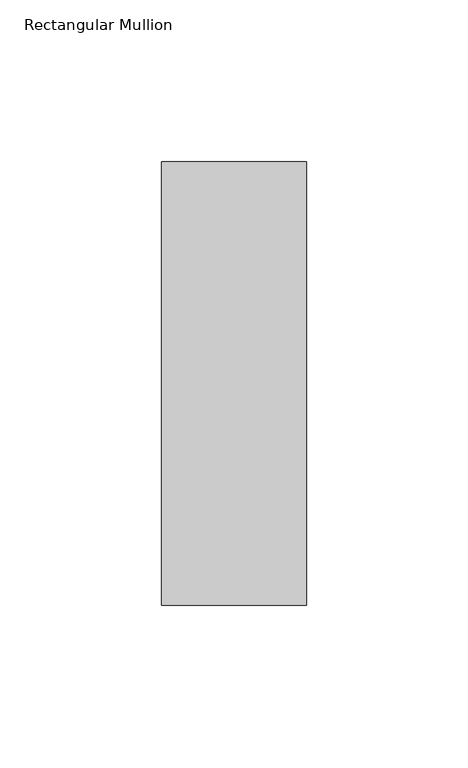
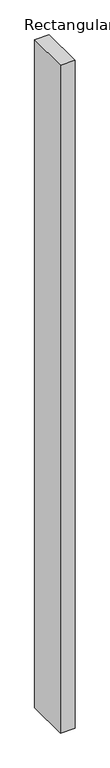
"""IFC4 building model written with IfcOpenShell, lengths in millimetres: member geometry, Rectangular Mullion."""

from ifc_helpers import new_model, si_unit, frame, origin, place, context, project, spatial, polyline, outline, extrude, source, transform, mapped, element, save


def rectangular_mullion_eb94dec2(model_context):
    return source(origin(), model_context, "Body", "SweptSolid", [
        extrude(outline(polyline([(-45.0, 84.19375), (0.0, 84.19375), (0.0, -53.19375), (-45.0, -53.19375), (-45.0, 84.19375)])), frame((0.0, 0.0, -2178.5642788), z_axis=(0.0, 0.0, 1.0), x_axis=(1.0, 0.0, 0.0)), (0.0, 0.0, 1.0), 2178.5642788),
    ])


if __name__ == "__main__":
    model = new_model("IFC4")
    model_context = context("Model", 3, world=origin())
    ifc_project = project(units=[si_unit("LENGTHUNIT", "METRE", prefix="MILLI")], contexts=[model_context])
    site = spatial("IfcSite", under=ifc_project)
    building = spatial("IfcBuilding", under=site)
    placement = place(None, origin())
    rectangular_mullion_shape = rectangular_mullion_eb94dec2(model_context)
    element("IfcMember", 1, ObjectType="Rectangular Mullion", at=placement, inside=building, context=model_context, shape_type="MappedRepresentation", body=[
        mapped(rectangular_mullion_shape, transform((0.0, 0.0, 0.0), x_axis=(1.0, 0.0, 0.0), y_axis=(0.0, 1.0, 0.0), z_axis=(0.0, 0.0, 1.0))),
    ])
    save(model, "model.ifc")
